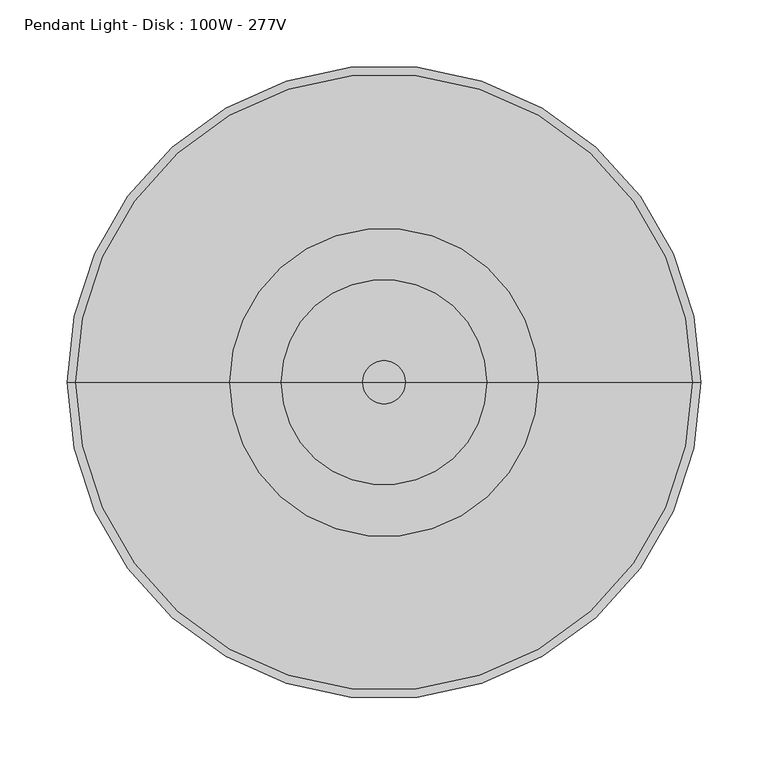
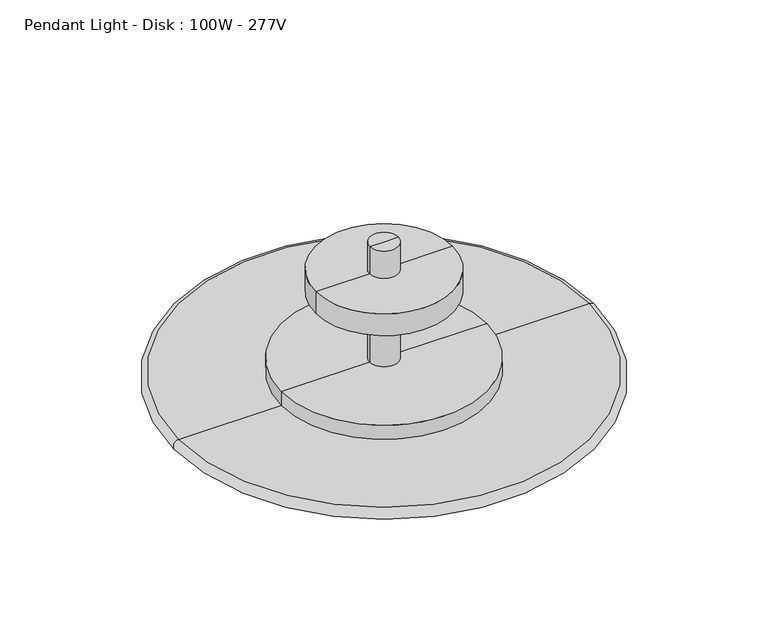
"""IFC4 building model written with IfcOpenShell, lengths in millimetres: light fixture geometry, Pendant Light - Disk : 100W - 277V."""

from ifc_helpers import new_model, si_unit, point, frame, origin, origin_2d, place, context, project, spatial, polyline, circle_curve, ellipse_curve, trimmed, segment, composite_curve, outline, extrude, source, transform, mapped, element, save
from ifc_brep_helpers import plane_surface, cylinder_surface, revolved_surface, advanced_brep


def pendant_light_disk_100w_277v_8fd69c9e(model_context):
    return source(origin(), model_context, "Body", "SolidModel", [
        extrude(outline(composite_curve([segment(trimmed(circle_curve(origin_2d(), 114.3), [point((0.0, 114.3))], [point((0.0, -114.3))], False, "CARTESIAN"), True, "CONTINUOUS"), segment(trimmed(circle_curve(origin_2d(), 114.3), [point((0.0, -114.3))], [point((0.0, 114.3))], False, "CARTESIAN"), True, "CONTINUOUS")], self_intersect=False)), frame((0.0, 0.0, 2282.8250062), z_axis=(0.0, 0.0, 1.0), x_axis=(1.0, 0.0, 0.0)), (0.0, 0.0, 1.0), 3.175),
        advanced_brep(
        [(15.875, 0.0, 2334.075253), (-15.875, 0.0, 2334.075253), (-15.875, 0.0, 2470.15), (15.875, 0.0, 2470.15), (114.3, 0.0, 2334.075253), (-114.3, 0.0, 2334.075253), (114.3, 0.0, 2286.0000062), (-114.3, 0.0, 2286.0000062), (38.1, 0.0, 2286.0000062), (-38.1, 0.0, 2286.0000062), (38.1, 0.0, 2317.75), (-38.1, 0.0, 2317.75), (0.0, 0.0, 2317.75), (0.0, 0.0, 2470.15)],
        [
            (0, 1, circle_curve(frame((0.0, 0.0, 2334.075253), z_axis=(0.0, 0.0, 1.0), x_axis=(-1.0, 0.0, 0.0)), 15.875)),
            (1, 2),
            (2, 3, circle_curve(frame((0.0, 0.0, 2470.15), z_axis=(0.0, 0.0, -1.0), x_axis=(-1.0, 0.0, 0.0)), 15.875)),
            (3, 0),
            (1, 0, circle_curve(frame((0.0, 0.0, 2334.075253), z_axis=(0.0, 0.0, 1.0), x_axis=(-1.0, 0.0, 0.0)), 15.875)),
            (3, 2, circle_curve(frame((0.0, 0.0, 2470.15), z_axis=(0.0, 0.0, -1.0), x_axis=(-1.0, 0.0, 0.0)), 15.875)),
            (4, 5, circle_curve(frame((0.0, 0.0, 2334.075253), z_axis=(0.0, 0.0, 1.0), x_axis=(-1.0, 0.0, 0.0)), 114.3)),
            (5, 1),
            (0, 4),
            (5, 4, circle_curve(frame((0.0, 0.0, 2334.075253), z_axis=(0.0, 0.0, 1.0), x_axis=(-1.0, 0.0, 0.0)), 114.3)),
            (6, 7, circle_curve(frame((0.0, 0.0, 2286.0000062), z_axis=(0.0, 0.0, 1.0), x_axis=(-1.0, 0.0, 0.0)), 114.3)),
            (7, 5),
            (4, 6),
            (7, 6, circle_curve(frame((0.0, 0.0, 2286.0000062), z_axis=(0.0, 0.0, 1.0), x_axis=(-1.0, 0.0, 0.0)), 114.3)),
            (8, 9, circle_curve(frame((0.0, 0.0, 2286.0000062), z_axis=(0.0, 0.0, 1.0), x_axis=(-1.0, 0.0, 0.0)), 38.1)),
            (9, 7),
            (6, 8),
            (9, 8, circle_curve(frame((0.0, 0.0, 2286.0000062), z_axis=(0.0, 0.0, 1.0), x_axis=(-1.0, 0.0, 0.0)), 38.1)),
            (10, 11, circle_curve(frame((0.0, 0.0, 2317.75), z_axis=(0.0, 0.0, 1.0), x_axis=(-1.0, 0.0, 0.0)), 38.1)),
            (11, 9),
            (8, 10),
            (11, 10, circle_curve(frame((0.0, 0.0, 2317.75), z_axis=(0.0, 0.0, 1.0), x_axis=(-1.0, 0.0, 0.0)), 38.1)),
            (12, 11),
            (10, 12),
            (2, 13),
            (13, 3),
        ],
        [
            cylinder_surface(frame((0.0, 0.0, 2494.2629221), z_axis=(0.0, 0.0, -1.0), x_axis=(-1.0, 0.0, 0.0)), 15.875),
            plane_surface(frame((0.0, 0.0, 2334.075253), z_axis=(0.0, 0.0, 1.0), x_axis=(-1.0, 0.0, 0.0))),
            cylinder_surface(frame((0.0, 0.0, 2494.2629221), z_axis=(0.0, 0.0, -1.0), x_axis=(-1.0, 0.0, 0.0)), 114.3),
            plane_surface(frame((0.0, 0.0, 2286.0000062), z_axis=(0.0, 0.0, -1.0), x_axis=(-1.0, 0.0, 0.0))),
            revolved_surface(polyline([(-38.1, 0.0, 2286.0000062), (-38.1, 0.0, 2317.75)]), (0.0, 0.0, 2494.2629221), (0.0, 0.0, -1.0)),
            plane_surface(frame((0.0, 0.0, 2317.75), z_axis=(0.0, 0.0, -1.0), x_axis=(-1.0, 0.0, 0.0))),
            plane_surface(frame((0.0, 0.0, 2470.15), z_axis=(0.0, 0.0, 1.0), x_axis=(-1.0, 0.0, 0.0))),
        ],
        [
            (0, [[1, 2, 3, 4]]),
            (0, [[5, -4, 6, -2]]),
            (1, [[7, 8, -1, 9]]),
            (1, [[10, -9, -5, -8]]),
            (2, [[11, 12, -7, 13]]),
            (2, [[14, -13, -10, -12]]),
            (3, [[15, 16, -11, 17]]),
            (3, [[18, -17, -14, -16]]),
            (4, [[19, 20, -15, 21]]),
            (4, [[22, -21, -18, -20]]),
            (5, [[23, -19, 24]]),
            (5, [[-24, -22, -23]]),
            (6, [[-3, 25, 26]]),
            (6, [[-6, -26, -25]]),
        ],
    ),
        extrude(outline(composite_curve([segment(trimmed(circle_curve(origin_2d(), 6.35), [point((0.0, 6.35))], [point((0.0, -6.35))], False, "CARTESIAN"), True, "CONTINUOUS"), segment(trimmed(circle_curve(origin_2d(), 6.35), [point((0.0, -6.35))], [point((0.0, 6.35))], False, "CARTESIAN"), True, "CONTINUOUS")], self_intersect=False)), frame((0.0, 0.0, 2298.7000062), z_axis=(0.0, 0.0, 1.0), x_axis=(1.0, 0.0, 0.0)), (0.0, 0.0, 1.0), 139.7),
        advanced_brep(
        [(0.0, 0.0, 2305.05), (-228.6, 0.0, 2305.05), (228.6, 0.0, 2305.05), (228.6, 0.0, 2317.75), (-228.6, 0.0, 2317.75), (0.0, 0.0, 2317.75)],
        [
            (0, 1),
            (1, 2, circle_curve(frame((0.0, 0.0, 2305.05), z_axis=(0.0, 0.0, -1.0), x_axis=(-1.0, 0.0, 0.0)), 228.6)),
            (2, 0),
            (2, 1, circle_curve(frame((0.0, 0.0, 2305.05), z_axis=(0.0, 0.0, -1.0), x_axis=(-1.0, 0.0, 0.0)), 228.6)),
            (3, 4, circle_curve(frame((0.0, 0.0, 2317.75), z_axis=(0.0, 0.0, 1.0), x_axis=(-1.0, 0.0, 0.0)), 228.6)),
            (4, 5),
            (5, 3),
            (4, 3, circle_curve(frame((0.0, 0.0, 2317.75), z_axis=(0.0, 0.0, 1.0), x_axis=(-1.0, 0.0, 0.0)), 228.6)),
            (1, 4, circle_curve(frame((-228.6, 0.0, 2311.4), z_axis=(0.0, 1.0, 0.0), x_axis=(0.0, 0.0, -1.0)), 6.35)),
            (3, 2, circle_curve(frame((228.6, 0.0, 2311.4), z_axis=(0.0, 1.0, 0.0), x_axis=(0.0, 0.0, -1.0)), 6.35)),
        ],
        [
            plane_surface(frame((0.0, 0.0, 2305.05), z_axis=(0.0, 0.0, -1.0), x_axis=(-1.0, 0.0, 0.0))),
            plane_surface(frame((0.0, 0.0, 2317.75), z_axis=(0.0, 0.0, 1.0), x_axis=(-1.0, 0.0, 0.0))),
            revolved_surface(trimmed(ellipse_curve(frame((-228.6, 0.0, 2311.4), z_axis=(0.0, -1.0, 0.0), x_axis=(0.0, 0.0, -1.0)), 6.35, 6.35), [point((-228.6, 0.0, 2317.75))], [point((-228.6, 0.0, 2305.05))], True, "CARTESIAN"), (0.0, 0.0, 2382.8510876), (0.0, 0.0, -1.0)),
        ],
        [
            (0, [[1, 2, 3]]),
            (0, [[-3, 4, -1]]),
            (1, [[5, 6, 7]]),
            (1, [[8, -7, -6]]),
            (2, [[-2, 9, -5, 10]]),
            (2, [[-4, -10, -8, -9]]),
        ],
    ),
        advanced_brep(
        [(76.2, 0.0, 2413.0000062), (-76.2, 0.0, 2413.0000062), (-76.2, 0.0, 2438.4000062), (76.2, 0.0, 2438.4000062), (0.0, 0.0, 2377.4673627), (0.0, 0.0, 2438.4000062)],
        [
            (0, 1, circle_curve(frame((0.0, 0.0, 2413.0000062), z_axis=(0.0, 0.0, 1.0), x_axis=(-1.0, 0.0, 0.0)), 76.2)),
            (1, 2),
            (2, 3, circle_curve(frame((0.0, 0.0, 2438.4000062), z_axis=(0.0, 0.0, -1.0), x_axis=(-1.0, 0.0, 0.0)), 76.2)),
            (3, 0),
            (1, 0, circle_curve(frame((0.0, 0.0, 2413.0000062), z_axis=(0.0, 0.0, 1.0), x_axis=(-1.0, 0.0, 0.0)), 76.2)),
            (3, 2, circle_curve(frame((0.0, 0.0, 2438.4000062), z_axis=(0.0, 0.0, -1.0), x_axis=(-1.0, 0.0, 0.0)), 76.2)),
            (4, 1),
            (0, 4),
            (2, 5),
            (5, 3),
        ],
        [
            cylinder_surface(frame((0.0, 0.0, 2514.6000062), z_axis=(0.0, 0.0, -1.0), x_axis=(-1.0, 0.0, 0.0)), 76.2),
            revolved_surface(polyline([(-76.2, 0.0, 2413.0000062), (0.0, 0.0, 2377.4673627)]), (0.0, 0.0, 2514.6000062), (0.0, 0.0, -1.0)),
            plane_surface(frame((0.0, 0.0, 2438.4000062), z_axis=(0.0, 0.0, 1.0), x_axis=(-1.0, 0.0, 0.0))),
        ],
        [
            (0, [[1, 2, 3, 4]]),
            (0, [[5, -4, 6, -2]]),
            (1, [[7, -1, 8]]),
            (1, [[-8, -5, -7]]),
            (2, [[-3, 9, 10]]),
            (2, [[-6, -10, -9]]),
        ],
    ),
    ])


if __name__ == "__main__":
    model = new_model("IFC4")
    model_context = context("Model", 3, world=origin())
    ifc_project = project(units=[si_unit("LENGTHUNIT", "METRE", prefix="MILLI")], contexts=[model_context])
    site = spatial("IfcSite", under=ifc_project)
    building = spatial("IfcBuilding", under=site)
    placement = place(None, origin())
    pendant_light_disk_100w_277v_shape = pendant_light_disk_100w_277v_8fd69c9e(model_context)
    element("IfcLightFixture", 1, ObjectType="Pendant Light - Disk : 100W - 277V", at=placement, inside=building, context=model_context, shape_type="MappedRepresentation", body=[
        mapped(pendant_light_disk_100w_277v_shape, transform((0.0, 0.0, 0.0), x_axis=(1.0, 0.0, 0.0), y_axis=(0.0, 1.0, 0.0), z_axis=(0.0, 0.0, 1.0))),
    ])
    save(model, "model.ifc")
